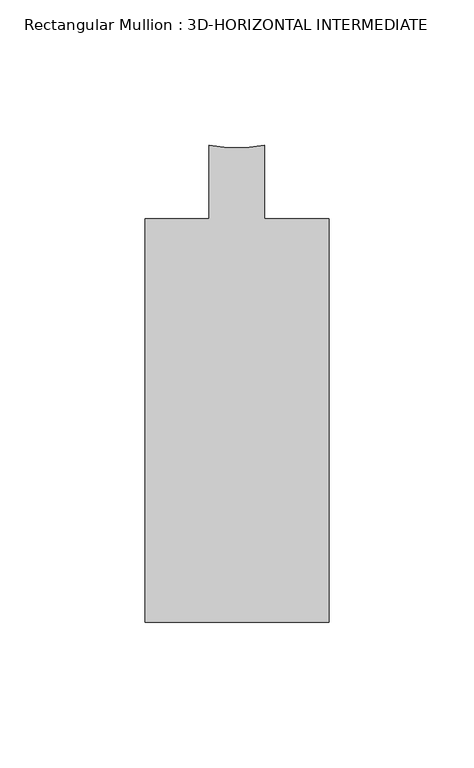
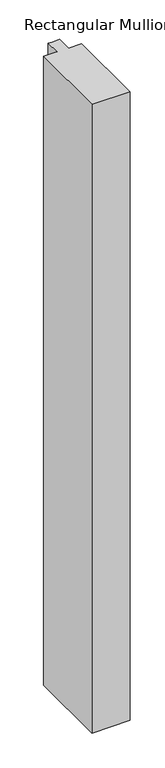
"""IFC4 building model written with IfcOpenShell, lengths in millimetres: member geometry, Rectangular Mullion : 3D-HORIZONTAL INTERMEDIATE."""

from ifc_helpers import new_model, si_unit, point, frame, frame_2d, origin, place, context, project, spatial, polyline, circle_curve, trimmed, segment, composite_curve, outline, extrude, source, transform, mapped, element, save


def rectangular_mullion_3d_horizontal_intermediate_d1e363e6(model_context):
    return source(origin(), model_context, "Body", "SweptSolid", [
        extrude(outline(composite_curve([segment(polyline([(-31.75, -27.8368125), (-9.5251132, -27.8368125), (-9.5251132, -2.4368125)]), True, "CONTINUOUS"), segment(trimmed(circle_curve(frame_2d((0.0, 38.2587718)), 41.7954347), [point((-9.5251132, -2.4368125))], [point((9.5251132, -2.4368125))], True, "CARTESIAN"), True, "CONTINUOUS"), segment(polyline([(9.5251132, -2.4368125), (9.5251132, -27.8368125), (31.75, -27.8368125), (31.75, -167.0288125), (-31.75, -167.0288125), (-31.75, -27.8368125)]), True, "CONTINUOUS")], self_intersect=False)), frame((0.0, 0.0, -1104.6875076), z_axis=(0.0, 0.0, 1.0), x_axis=(1.0, 0.0, 0.0)), (0.0, 0.0, 1.0), 1104.6875076),
    ])


if __name__ == "__main__":
    model = new_model("IFC4")
    model_context = context("Model", 3, world=origin())
    ifc_project = project(units=[si_unit("LENGTHUNIT", "METRE", prefix="MILLI")], contexts=[model_context])
    site = spatial("IfcSite", under=ifc_project)
    building = spatial("IfcBuilding", under=site)
    placement = place(None, origin())
    rectangular_mullion_3d_horizontal_intermediate_shape = rectangular_mullion_3d_horizontal_intermediate_d1e363e6(model_context)
    element("IfcMember", 1, ObjectType="Rectangular Mullion : 3D-HORIZONTAL INTERMEDIATE", at=placement, inside=building, context=model_context, shape_type="MappedRepresentation", body=[
        mapped(rectangular_mullion_3d_horizontal_intermediate_shape, transform((0.0, 0.0, 0.0), x_axis=(1.0, 0.0, 0.0), y_axis=(0.0, 1.0, 0.0), z_axis=(0.0, 0.0, 1.0))),
    ])
    save(model, "model.ifc")
